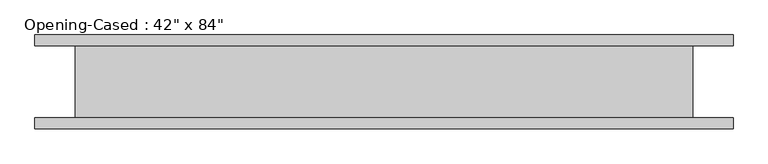
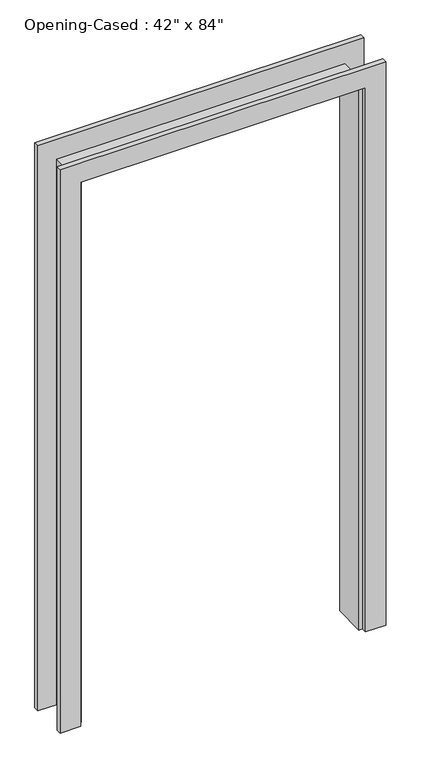
"""IFC4 building model written with IfcOpenShell, lengths in millimetres: proxy geometry."""

from ifc_helpers import new_model, si_unit, frame, origin, place, context, project, spatial, polyline, outline, extrude, faceted_brep, source, transform, mapped, element, save


def proxy_de02396b(model_context):
    return source(origin(), model_context, "Body", "SolidModel", [
        faceted_brep([(506.1613433, 61.9125, 0.0), (525.2113433, 61.9125, 0.0), (525.2113433, -61.9125, 0.0), (506.1613433, -61.9125, 0.0), (506.1613433, 61.9125, 2114.55), (525.2113433, 61.9125, 2133.6), (525.2113433, -61.9125, 2133.6), (506.1613433, -61.9125, 2114.55), (-522.5386567, 61.9125, 2114.55), (-541.5886567, 61.9125, 2133.6), (-541.5886567, -61.9125, 2133.6), (-522.5386567, -61.9125, 2114.55), (-522.5386567, 61.9125, 0.0), (-522.5386567, -61.9125, 0.0), (-541.5886567, -61.9125, 0.0), (-541.5886567, 61.9125, 0.0)], [[[0, 1, 2, 3]], [[1, 0, 4, 5]], [[2, 1, 5, 6]], [[3, 2, 6, 7]], [[0, 3, 7, 4]], [[5, 4, 8, 9]], [[6, 5, 9, 10]], [[7, 6, 10, 11]], [[4, 7, 11, 8]], [[12, 13, 14, 15]], [[9, 8, 12, 15]], [[10, 9, 15, 14]], [[11, 10, 14, 13]], [[8, 11, 13, 12]]]),
        extrude(outline(polyline([(0.0, -535.2386567), (2127.25, -535.2386567), (2127.25, 518.8613433), (0.0, 518.8613433), (0.0, 595.0613433), (2203.45, 595.0613433), (2203.45, -611.4386567), (0.0, -611.4386567), (0.0, -535.2386567)])), frame((0.0, -80.9625, 0.0), z_axis=(0.0, 1.0, 0.0), x_axis=(0.0, 0.0, 1.0)), (0.0, 0.0, 1.0), 19.05),
        extrude(outline(polyline([(0.0, 595.0613433), (2209.8, 595.0613433), (2209.8, -611.4386567), (0.0, -611.4386567), (0.0, -535.2386567), (2127.25, -535.2386567), (2127.25, 518.8613433), (0.0, 518.8613433), (0.0, 595.0613433)])), frame((0.0, 61.9125, 0.0), z_axis=(0.0, 1.0, 0.0), x_axis=(0.0, 0.0, 1.0)), (0.0, 0.0, 1.0), 19.05),
    ])


if __name__ == "__main__":
    model = new_model("IFC4")
    model_context = context("Model", 3, world=origin())
    ifc_project = project(units=[si_unit("LENGTHUNIT", "METRE", prefix="MILLI")], contexts=[model_context])
    site = spatial("IfcSite", under=ifc_project)
    building = spatial("IfcBuilding", under=site)
    placement = place(None, origin())
    proxy_shape = proxy_de02396b(model_context)
    element("IfcBuildingElementProxy", 1, Name="Opening-Cased : 42\" x 84\"", ObjectType="Opening-Cased : 42\" x 84\"", at=placement, inside=building, context=model_context, shape_type="MappedRepresentation", body=[
        mapped(proxy_shape, transform((0.0, 0.0, 0.0), x_axis=(1.0, 0.0, 0.0), y_axis=(0.0, 1.0, 0.0), z_axis=(0.0, 0.0, 1.0))),
    ])
    save(model, "model.ifc")
